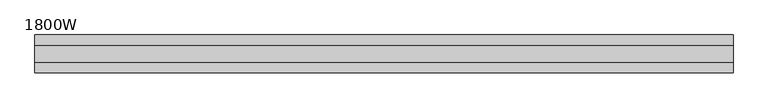
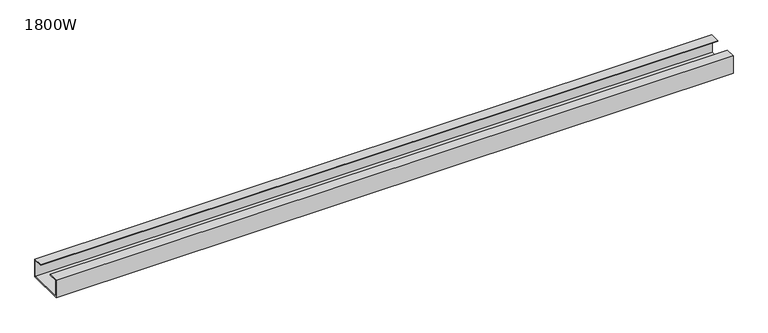
"""IFC4 building model written with IfcOpenShell, lengths in millimetres: furniture geometry, 1800W."""

import ifcopenshell
import ifcopenshell.guid

model = None  # the IFC model being written
_history = None  # IfcOwnerHistory: only IFC2X3 demands one
_inside = {}  # id of a spatial element -> (the spatial element, [elements in it])
_under = {}  # id of a project, library or spatial element -> (it, [spatial elements below it])
_declared = {}  # id of a project -> (the project, [libraries it declares])
_typed = {}  # id of a type object -> (the type object, [elements of that type])
_made_of = {}  # id of a material, layer set ... -> (it, [elements and type objects made of it])


def new_model(schema):
    """Start an empty IFC model of exactly this schema.

    Asked for "IFC4X3", IfcOpenShell would pick the latest addendum, in which some entities
    have other attributes; the version numbers below select the first issue.
    IFC2X3 requires an IfcOwnerHistory on every rooted entity: one is made here for all.
    """
    global model, _history
    if schema == "IFC4X3":
        model = ifcopenshell.file(schema_version=(4, 3, 0, 0))
    else:
        model = ifcopenshell.file(schema=schema)
    _inside.clear()
    _under.clear()
    _declared.clear()
    _typed.clear()
    _made_of.clear()
    _history = None
    if model.schema == "IFC2X3":
        org = make("IfcOrganization", Name="unknown")
        user = make(
            "IfcPersonAndOrganization",
            ThePerson=make("IfcPerson", FamilyName="unknown"),
            TheOrganization=org,
        )
        app = make(
            "IfcApplication",
            ApplicationDeveloper=org,
            Version="unknown",
            ApplicationFullName="unknown",
            ApplicationIdentifier="unknown",
        )
        _history = make(
            "IfcOwnerHistory",
            OwningUser=user,
            OwningApplication=app,
            ChangeAction="ADDED",
            CreationDate=0,
        )
    return model


def make(cls, **values):
    """One entity of the class cls with the attributes given. An attribute that is None is left unset."""
    return model.create_entity(
        cls, **{name: value for name, value in values.items() if value is not None}
    )


def rooted(cls, **values):
    """An entity with a GlobalId (a new one), such as an element, a storey or a relation."""
    return make(cls, GlobalId=ifcopenshell.guid.new(), OwnerHistory=_history, **values)


def si_unit(unit_type, name, prefix=None):
    """IfcSIUnit, for example si_unit("LENGTHUNIT", "METRE", prefix="MILLI")."""
    return make("IfcSIUnit", UnitType=unit_type, Prefix=prefix, Name=name)


def assignment(units):
    """IfcUnitAssignment: the units of a project."""
    return None if units is None else make("IfcUnitAssignment", Units=units)


def point(xyz):
    """IfcCartesianPoint."""
    return None if xyz is None else make("IfcCartesianPoint", Coordinates=xyz)


def direction(xyz):
    """IfcDirection."""
    return None if xyz is None else make("IfcDirection", DirectionRatios=xyz)


def frame(location, z_axis=None, x_axis=None):
    """IfcAxis2Placement3D, a coordinate frame: its origin and axes. An axis left out is left unset."""
    return make(
        "IfcAxis2Placement3D",
        Location=point(location),
        Axis=direction(z_axis),
        RefDirection=direction(x_axis),
    )


def origin():
    """The frame at (0, 0, 0) with its axes left unset."""
    return frame((0.0, 0.0, 0.0))


def place(relative_to, where):
    """IfcLocalPlacement: puts the frame where relative to a parent placement (None: the world)."""
    return make(
        "IfcLocalPlacement", PlacementRelTo=relative_to, RelativePlacement=where
    )


def context(
    kind, dimensions, precision=None, world=None, true_north=None, identifier=None
):
    """IfcGeometricRepresentationContext, for example the 3D "Model" context."""
    return make(
        "IfcGeometricRepresentationContext",
        ContextIdentifier=identifier,
        ContextType=kind,
        CoordinateSpaceDimension=dimensions,
        Precision=precision,
        WorldCoordinateSystem=world,
        TrueNorth=true_north,
    )


def project(units=None, contexts=None):
    """IfcProject with its units and contexts."""
    return rooted(
        "IfcProject",
        Name="project",
        RepresentationContexts=contexts,
        UnitsInContext=assignment(units),
    )


def spatial(cls, under=None, at=None, **own):
    """A site, building, storey or space (cls), placed at a placement, below another one or the project."""
    s = rooted(cls, ObjectPlacement=at, **own)
    if under is not None:
        _under.setdefault(under.id(), (under, []))[1].append(s)
    return s


def polyline(points):
    """IfcPolyline through the points."""
    return make("IfcPolyline", Points=[point(p) for p in points])


def outline(outer, holes=None, kind="AREA"):
    """IfcArbitraryClosedProfileDef: a profile drawn as a closed curve; with holes, ...WithVoids."""
    if holes is None:
        return make("IfcArbitraryClosedProfileDef", ProfileType=kind, OuterCurve=outer)
    return make(
        "IfcArbitraryProfileDefWithVoids",
        ProfileType=kind,
        OuterCurve=outer,
        InnerCurves=holes,
    )


def extrude(swept, where, along, depth):
    """IfcExtrudedAreaSolid: the profile swept, set in the frame where, extruded along a direction by depth."""
    return make(
        "IfcExtrudedAreaSolid",
        SweptArea=swept,
        Position=where,
        ExtrudedDirection=direction(along),
        Depth=depth,
    )


def shape(context_of_items, identifier, shape_type, items):
    """IfcShapeRepresentation: the items that make up one representation, for example the "Body"."""
    return make(
        "IfcShapeRepresentation",
        ContextOfItems=context_of_items,
        RepresentationIdentifier=identifier,
        RepresentationType=shape_type,
        Items=items,
    )


def source(mapping_origin, context_of_items, identifier, shape_type, items):
    """IfcRepresentationMap: a shape defined once, which mapped items show again and again."""
    return make(
        "IfcRepresentationMap",
        MappingOrigin=mapping_origin,
        MappedRepresentation=shape(context_of_items, identifier, shape_type, items),
    )


def transform(
    local_origin,
    x_axis=None,
    y_axis=None,
    z_axis=None,
    scale=None,
    scale2=None,
    scale3=None,
    uniform=True,
):
    """IfcCartesianTransformationOperator3D, or its non-uniform kind. x_axis, y_axis, z_axis: its Axis1, 2, 3."""
    if uniform:
        return make(
            "IfcCartesianTransformationOperator3D",
            Axis1=direction(x_axis),
            Axis2=direction(y_axis),
            LocalOrigin=point(local_origin),
            Scale=scale,
            Axis3=direction(z_axis),
        )
    return make(
        "IfcCartesianTransformationOperator3DnonUniform",
        Axis1=direction(x_axis),
        Axis2=direction(y_axis),
        LocalOrigin=point(local_origin),
        Scale=scale,
        Axis3=direction(z_axis),
        Scale2=scale2,
        Scale3=scale3,
    )


def mapped(mapping_source, mapping_target):
    """IfcMappedItem: shows the shape of a source again, moved by a transform."""
    return make(
        "IfcMappedItem", MappingSource=mapping_source, MappingTarget=mapping_target
    )


def made_of(thing, what):
    """Note that an element or type object is made of a material, layer set ...; save() writes the relation."""
    if what is not None:
        _made_of.setdefault(what.id(), (what, []))[1].append(thing)
    return thing


def element(
    cls,
    number,
    at=None,
    inside=None,
    cuts=None,
    type_object=None,
    material=None,
    context=None,
    identifier="Body",
    shape_type=None,
    held_by="IfcProductDefinitionShape",
    body=None,
    shapes=None,
    **own,
):
    """One element of the class cls, such as IfcWall. Its Tag is "e" and its number.

    at: its placement. inside: the storey or other place that contains it. cuts: it is an
    opening in that element (IfcRelVoidsElement). A single representation is given by context,
    identifier, shape_type and body (its items); several are given by shapes. held_by: the class
    of the entity that holds the representations. save() writes the other relations.
    """
    e = rooted(cls, Tag="e%d" % number, ObjectPlacement=at, **own)
    if body is not None:
        shapes = [shape(context, identifier, shape_type, body)]
    if shapes is not None:
        e.Representation = make(held_by, Representations=shapes)
    if inside is not None:
        _inside.setdefault(inside.id(), (inside, []))[1].append(e)
    if cuts is not None:
        rooted(
            "IfcRelVoidsElement", RelatingBuildingElement=cuts, RelatedOpeningElement=e
        )
    if type_object is not None:
        _typed.setdefault(type_object.id(), (type_object, []))[1].append(e)
    return made_of(e, material)


def aggregate(whole, parts):
    """IfcRelAggregates: a whole, such as a stair, and the parts it consists of."""
    return rooted("IfcRelAggregates", RelatingObject=whole, RelatedObjects=parts)


def save(model, path):
    """Write the relations noted so far, then the file.

    IfcRelAggregates (storeys below a building ...), IfcRelContainedInSpatialStructure (elements
    in a storey), IfcRelDefinesByType, IfcRelAssociatesMaterial and IfcRelDeclares: one each for
    every whole, place, type object, material and project.
    """
    for whole, parts in _under.values():
        aggregate(whole, parts)
    for where, things in _inside.values():
        rooted(
            "IfcRelContainedInSpatialStructure",
            RelatedElements=things,
            RelatingStructure=where,
        )
    for kind, things in _typed.values():
        rooted("IfcRelDefinesByType", RelatedObjects=things, RelatingType=kind)
    for what, things in _made_of.values():
        rooted("IfcRelAssociatesMaterial", RelatedObjects=things, RelatingMaterial=what)
    for by, libraries in _declared.values():
        rooted("IfcRelDeclares", RelatingContext=by, RelatedDefinitions=libraries)
    model.write(path)


def furniture_1800w_4c537362(model_context):
    return source(origin(), model_context, "Body", "SweptSolid", [
        extrude(outline(polyline([(-47.3, 667.0), (-47.3, 715.0), (-22.0, 715.0), (-22.0, 713.0), (-45.3, 713.0), (-45.3, 669.0), (45.3, 669.0), (45.3, 713.0), (22.0, 713.0), (22.0, 715.0), (47.3, 715.0), (47.3, 667.0), (-47.3, 667.0)])), frame((-875.0, 0.0, 0.0), z_axis=(1.0, 0.0, 0.0), x_axis=(0.0, 1.0, 0.0)), (0.0, 0.0, 1.0), 1750.0),
    ])


if __name__ == "__main__":
    model = new_model("IFC4")
    model_context = context("Model", 3, world=origin())
    ifc_project = project(units=[si_unit("LENGTHUNIT", "METRE", prefix="MILLI")], contexts=[model_context])
    site = spatial("IfcSite", under=ifc_project)
    building = spatial("IfcBuilding", under=site)
    placement = place(None, origin())
    furniture_1800w_shape = furniture_1800w_4c537362(model_context)
    element("IfcFurniture", 1, ObjectType="1800W", at=placement, inside=building, context=model_context, shape_type="MappedRepresentation", body=[
        mapped(furniture_1800w_shape, transform((0.0, 0.0, 0.0), x_axis=(1.0, 0.0, 0.0), y_axis=(0.0, 1.0, 0.0), z_axis=(0.0, 0.0, 1.0))),
    ])
    save(model, "model.ifc")
